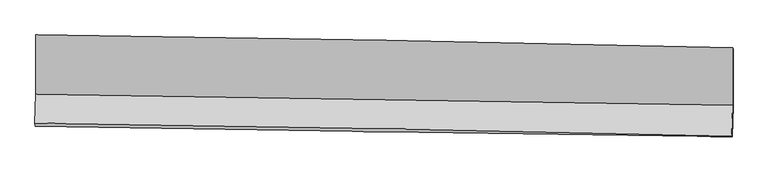
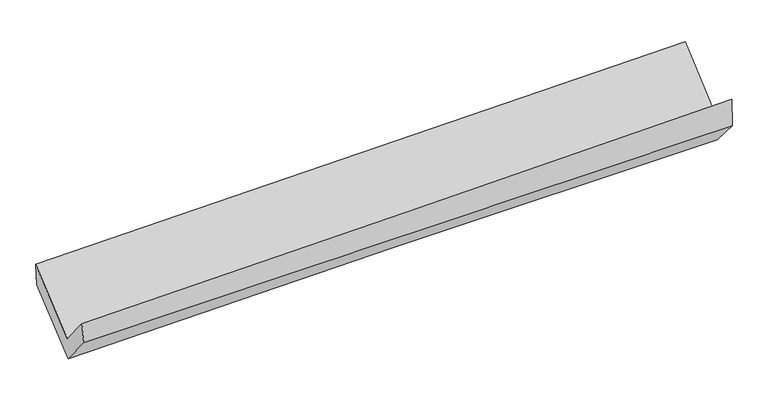
"""IFC4 building model written with IfcOpenShell, lengths in millimetres: proxy geometry."""

from ifc_helpers import new_model, si_unit, frame, origin, place, context, project, spatial, source, transform, mapped, element, save
from ifc_brep_helpers import plane_surface, spline_curve, spline_surface, advanced_brep


def generic_models_304a4a05(model_context):
    return source(origin(), model_context, "Body", "AdvancedBrep", [
        advanced_brep(
        [(-3027.165944, -1165.2786961, 2172.401492), (-3025.75477, -1679.0281821, 1744.4914231), (3013.6209656, -1773.3621458, 1907.709917), (3013.8612671, -1276.5923601, 2335.3256306), (-3033.5413753, -1929.1072731, 2048.7616749), (3005.2448677, -2044.7070874, 2233.4594477), (-3030.9230515, -1956.5235171, 1872.0987343), (3009.0454351, -2049.1514273, 1971.6615018), (-3022.7142205, -1690.5972145, 1552.8542782), (3016.8658226, -1788.5317497, 1674.0265918), (-3024.1130314, -1181.3486473, 1977.0154606), (3017.3156537, -1284.9555929, 2093.510268)],
        [
            (0, 1),
            (1, 2, spline_curve(3, [(-3025.75477, -1679.0281821, 1744.4914231), (-2019.06379018, -1695.130878906, 1763.588417731), (-1012.448266864, -1711.043219189, 1786.738060771), (1000.676984953, -1742.487890551, 1841.143861775), (2007.186706976, -1758.020205163, 1872.400383799), (3013.6209656, -1773.3621458, 1907.709917)], [4, 2, 4], [0.0, 9.913381288616533, 19.82720694583734])),
            (2, 3),
            (3, 0, spline_curve(3, [(3013.8612671, -1276.5923601, 2335.3256306), (2007.240322547, -1250.430900071, 2302.120238159), (1000.499630518, -1228.073908801, 2271.940294221), (-1013.176117091, -1190.969695381, 2217.632518928), (-2020.111162253, -1176.222131898, 2193.504417038), (-3027.165944, -1165.2786961, 2172.401492)], [4, 2, 4], [0.0, 9.913825657220807, 19.82720694583734])),
            (1, 4),
            (4, 5, spline_curve(3, [(-3033.5413753, -1929.1072731, 2048.7616749), (-2026.884281208, -1943.358166515, 2071.587486177), (-1020.334823545, -1960.116659158, 2098.391438648), (992.59393403, -1998.649705847, 2159.957006564), (1998.97322378, -2020.424484635, 2194.718978229), (3005.2448677, -2044.7070874, 2233.4594477)], [4, 2, 4], [0.0, 9.912112373799673, 19.82466905932435])),
            (5, 2),
            (4, 6),
            (6, 7, spline_curve(3, [(-3030.9230515, -1956.5235171, 1872.0987343), (-2024.254854802, -1971.76732496, 1889.741427259), (-1017.601329593, -1987.108046464, 1906.859497142), (995.72150071, -2017.98400773, 1940.047133061), (2002.390804132, -2033.519256616, 1956.116652788), (3009.0454351, -2049.1514273, 1971.6615018)], [4, 2, 4], [0.0, 9.911134712562788, 19.822713693026788])),
            (7, 5),
            (6, 8),
            (8, 9, spline_curve(3, [(-3022.7142205, -1690.5972145, 1552.8542782), (-2016.281920255, -1709.590544625, 1582.55358185), (-1009.778715056, -1727.248267787, 1607.500806295), (1003.414626471, -1759.893232854, 1647.892003755), (2010.104768684, -1774.880354417, 1663.335550185), (3016.8658226, -1788.5317497, 1674.0265918)], [4, 2, 4], [0.0, 9.91047306633227, 19.821390370907373])),
            (9, 7),
            (8, 10),
            (10, 11, spline_curve(3, [(-3024.1130314, -1181.3486473, 1977.0154606), (-2017.349015612, -1204.368412574, 2003.369327423), (-1010.525901964, -1224.512078628, 2026.254021832), (1003.28365439, -1259.047984793, 2065.085935471), (2010.27010255, -1273.43996758, 2081.032843452), (3017.3156537, -1284.9555929, 2093.510268)], [4, 2, 4], [0.0, 9.912160486531729, 19.82476528694512])),
            (11, 9),
            (10, 0),
            (3, 11),
        ],
        [
            spline_surface(3, 3, [[(-3027.165944, -1165.2786961, 2172.401492), (-2020.111162288, -1176.222131911, 2193.504417077), (-1013.176117175, -1190.969695281, 2217.632519076), (1000.499630602, -1228.073908901, 2271.940294073), (2007.240322505, -1250.430900193, 2302.120238252), (3013.8612671, -1276.5923601, 2335.3256306)], [(-3026.695552637, -1336.528524774, 2029.764802379), (-2019.762038259, -1349.191714251, 2050.199083993), (-1012.933500437, -1364.327536526, 2074.001032935), (1000.558748731, -1399.545236154, 2128.341483359), (2007.222450641, -1419.627335176, 2158.880286728), (3013.781166609, -1442.182288681, 2192.787059376)], [(-3026.225161363, -1507.778353426, 1887.128112721), (-2019.41291432, -1522.161296571, 1906.893750872), (-1012.690883669, -1537.685377803, 1930.369546775), (1000.617866891, -1571.016563439, 1984.742672626), (2007.204578751, -1588.823770116, 2015.640335276), (3013.701066091, -1607.772217219, 2050.248488224)], [(-3025.75477, -1679.0281821, 1744.4914231), (-2019.063790291, -1695.130878911, 1763.588417788), (-1012.448266931, -1711.043219048, 1786.738060634), (1000.676985021, -1742.487890692, 1841.143861912), (2007.186706886, -1758.0202051, 1872.400383752), (3013.6209656, -1773.3621458, 1907.709917)]], [4, 4], [4, 2, 4], [0.0, 2.208590090550695], [0.0, 9.913381288616533, 19.82720694583734]),
            spline_surface(3, 3, [[(-3025.75477, -1679.0281821, 1744.4914231), (-2019.063790291, -1695.130878911, 1763.588417788), (-1012.448266931, -1711.043219048, 1786.738060634), (1000.676985021, -1742.487890692, 1841.143861912), (2007.186706886, -1758.0202051, 1872.400383752), (3013.6209656, -1773.3621458, 1907.709917)], [(-3028.350305119, -1762.38787911, 1845.914840361), (-2021.670620644, -1777.87330816, 1866.254773915), (-1015.077119087, -1794.067699091, 1890.622520015), (997.982634652, -1827.875162385, 1947.414910065), (2004.448879146, -1845.488298277, 1979.839915197), (3010.828932957, -1863.810459642, 2016.293093898)], [(-3030.945840181, -1845.74757609, 1947.338257639), (-2024.27745094, -1860.615737377, 1968.921130058), (-1017.705971259, -1877.092179162, 1994.506979428), (995.288284267, -1913.262434107, 2053.68595825), (2001.711051435, -1932.956391528, 2087.279446647), (3008.036900343, -1954.258773558, 2124.876270802)], [(-3033.5413753, -1929.1072731, 2048.7616749), (-2026.884281292, -1943.358166626, 2071.587486185), (-1020.334823414, -1960.116659204, 2098.391438808), (992.593933899, -1998.649705801, 2159.957006403), (1998.973223695, -2020.424484706, 2194.718978092), (3005.2448677, -2044.7070874, 2233.4594477)]], [4, 4], [4, 2, 4], [0.0, 1.3256039159720332], [0.0, 9.912112373799673, 19.82466905932435]),
            spline_surface(3, 3, [[(-3033.5413753, -1929.1072731, 2048.7616749), (-2026.884281292, -1943.358166626, 2071.587486185), (-1020.334823414, -1960.116659204, 2098.391438808), (992.593933899, -1998.649705801, 2159.957006403), (1998.973223695, -2020.424484706, 2194.718978092), (3005.2448677, -2044.7070874, 2233.4594477)], [(-3032.668600686, -1938.246021098, 1989.874028023), (-2026.007805773, -1952.827886094, 2010.972133242), (-1019.423658775, -1969.113788273, 2034.547458216), (993.636456153, -2005.094473131, 2086.653715346), (2000.112417223, -2024.789408655, 2115.184869657), (3006.511723495, -2046.188534059, 2146.193465744)], [(-3031.795826114, -1947.384769102, 1930.986381177), (-2025.131330297, -1962.297605567, 1950.35678033), (-1018.51249416, -1978.110917338, 1970.703477594), (994.678978384, -2011.539240457, 2013.350424259), (2001.251610766, -2029.154332528, 2035.650761189), (3007.778579305, -2047.669980641, 2058.927483756)], [(-3030.9230515, -1956.5235171, 1872.0987343), (-2024.254854778, -1971.767325035, 1889.741427386), (-1017.601329521, -1987.108046407, 1906.859497002), (995.721500638, -2017.984007787, 1940.047133201), (2002.390804293, -2033.519256477, 1956.116652754), (3009.0454351, -2049.1514273, 1971.6615018)]], [4, 4], [4, 2, 4], [0.0, 0.6792721382101593], [0.0, 9.911134712562788, 19.822713693026788]),
            spline_surface(3, 3, [[(-3030.9230515, -1956.5235171, 1872.0987343), (-2024.254854778, -1971.767325035, 1889.741427386), (-1017.601329521, -1987.108046407, 1906.859497002), (995.721500638, -2017.984007787, 1940.047133201), (2002.390804293, -2033.519256477, 1956.116652754), (3009.0454351, -2049.1514273, 1971.6615018)], [(-3028.186774518, -1867.88141622, 1765.683915587), (-2021.597209991, -1884.375064873, 1787.345478815), (-1014.993791324, -1900.488120253, 1807.073266801), (998.285875897, -1931.953749448, 1842.662090014), (2004.96212576, -1947.306289134, 1858.522951876), (3011.652230937, -1962.278201434, 1872.449865126)], [(-3025.450497482, -1779.23931538, 1659.269096913), (-2018.939565148, -1796.98280475, 1684.949530283), (-1012.386253161, -1813.868194063, 1707.287036606), (1000.85025112, -1845.923491072, 1745.277046832), (2007.533447216, -1861.093321789, 1760.929251019), (3014.259026763, -1875.404975566, 1773.238228474)], [(-3022.7142205, -1690.5972145, 1552.8542782), (-2016.281920361, -1709.590544588, 1582.553581712), (-1009.778714963, -1727.248267909, 1607.500806405), (1003.414626379, -1759.893232732, 1647.892003645), (2010.104768683, -1774.880354445, 1663.335550141), (3016.8658226, -1788.5317497, 1674.0265918)]], [4, 4], [4, 2, 4], [0.0, 1.2900019334822228], [0.0, 9.91047306633227, 19.821390370907373]),
            spline_surface(3, 3, [[(-3022.7142205, -1690.5972145, 1552.8542782), (-2016.281920361, -1709.590544588, 1582.553581712), (-1009.778714963, -1727.248267909, 1607.500806405), (1003.414626379, -1759.893232732, 1647.892003645), (2010.104768683, -1774.880354445, 1663.335550141), (3016.8658226, -1788.5317497, 1674.0265918)], [(-3023.180490801, -1520.847692087, 1694.241339018), (-2016.637618763, -1541.183167289, 1722.82549702), (-1010.027777313, -1559.669538098, 1747.085211559), (1003.370969048, -1592.944816775, 1786.956647549), (2010.159879965, -1607.733558818, 1802.567981288), (3017.015766295, -1620.673030741, 1813.854483883)], [(-3023.646761099, -1351.098169713, 1835.628399782), (-2016.993317162, -1372.775790028, 1863.097412276), (-1010.276839636, -1392.090808329, 1886.669616753), (1003.327311743, -1425.99640086, 1926.021291493), (2010.214991261, -1440.586763268, 1941.800412387), (3017.165710005, -1452.814311859, 1953.682375917)], [(-3024.1130314, -1181.3486473, 1977.0154606), (-2017.349015564, -1204.368412728, 2003.369327584), (-1010.525901986, -1224.512078518, 2026.254021907), (1003.283654412, -1259.047984903, 2065.085935396), (2010.270102542, -1273.43996764, 2081.032843533), (3017.3156537, -1284.9555929, 2093.510268)]], [4, 4], [4, 2, 4], [0.0, 2.1426068813883794], [0.0, 9.912160486531729, 19.82476528694512]),
            spline_surface(3, 3, [[(-3024.1130314, -1181.3486473, 1977.0154606), (-2017.349015564, -1204.368412728, 2003.369327584), (-1010.525901986, -1224.512078518, 2026.254021907), (1003.283654412, -1259.047984903, 2065.085935396), (2010.270102542, -1273.43996764, 2081.032843533), (3017.3156537, -1284.9555929, 2093.510268)], [(-3025.130668939, -1175.99199691, 2042.144137732), (-2018.269731144, -1194.986319133, 2066.747690747), (-1011.409307055, -1213.331284126, 2090.046854307), (1002.355646469, -1248.723292923, 2134.037388299), (2009.260175871, -1265.770278501, 2154.728641779), (3016.164191508, -1282.167848643, 2174.115388873)], [(-3026.148306461, -1170.63534649, 2107.272814868), (-2019.190446708, -1185.604225506, 2130.126053913), (-1012.292712106, -1202.150489672, 2153.839686676), (1001.427638544, -1238.398600882, 2202.98884117), (2008.250249176, -1258.100589332, 2228.424440007), (3015.012729292, -1279.380104357, 2254.720509727)], [(-3027.165944, -1165.2786961, 2172.401492), (-2020.111162288, -1176.222131911, 2193.504417077), (-1013.176117175, -1190.969695281, 2217.632519076), (1000.499630602, -1228.073908901, 2271.940294073), (2007.240322505, -1250.430900193, 2302.120238252), (3013.8612671, -1276.5923601, 2335.3256306)]], [4, 4], [4, 2, 4], [0.0, 0.6618476500780511], [0.0, 9.914147114774499, 19.82873863248153]),
            plane_surface(frame((3012.6590019, -1702.8833939, 2035.9488928), z_axis=(0.9998046543782577, -0.013169922781758499, 0.014737917678408484), x_axis=(0.0006863406462712517, 0.7683434875834074, 0.6400373536167117))),
            plane_surface(frame((-3027.3687321, -1600.3139217, 1894.6038439), z_axis=(-0.999802662225248, 0.011020450520083488, -0.016528347698455084), x_axis=(0.01557056033031829, -0.08196046716273003, -0.9965139434415692))),
        ],
        [
            (0, [[1, 2, 3, 4]]),
            (1, [[5, 6, 7, -2]]),
            (2, [[8, 9, 10, -6]]),
            (3, [[11, 12, 13, -9]]),
            (4, [[14, 15, 16, -12]]),
            (5, [[17, -4, 18, -15]]),
            (6, [[-16, -18, -3, -7, -10, -13]]),
            (7, [[-17, -14, -11, -8, -5, -1]]),
        ],
    ),
    ])


if __name__ == "__main__":
    model = new_model("IFC4")
    model_context = context("Model", 3, world=origin())
    ifc_project = project(units=[si_unit("LENGTHUNIT", "METRE", prefix="MILLI")], contexts=[model_context])
    site = spatial("IfcSite", under=ifc_project)
    building = spatial("IfcBuilding", under=site)
    placement = place(None, origin())
    generic_models_shape = generic_models_304a4a05(model_context)
    element("IfcBuildingElementProxy", 1, Name="Generic Models", at=placement, inside=building, context=model_context, shape_type="MappedRepresentation", body=[
        mapped(generic_models_shape, transform((0.0, 0.0, 0.0), x_axis=(1.0, 0.0, 0.0), y_axis=(0.0, 1.0, 0.0), z_axis=(0.0, 0.0, 1.0))),
    ])
    save(model, "model.ifc")
